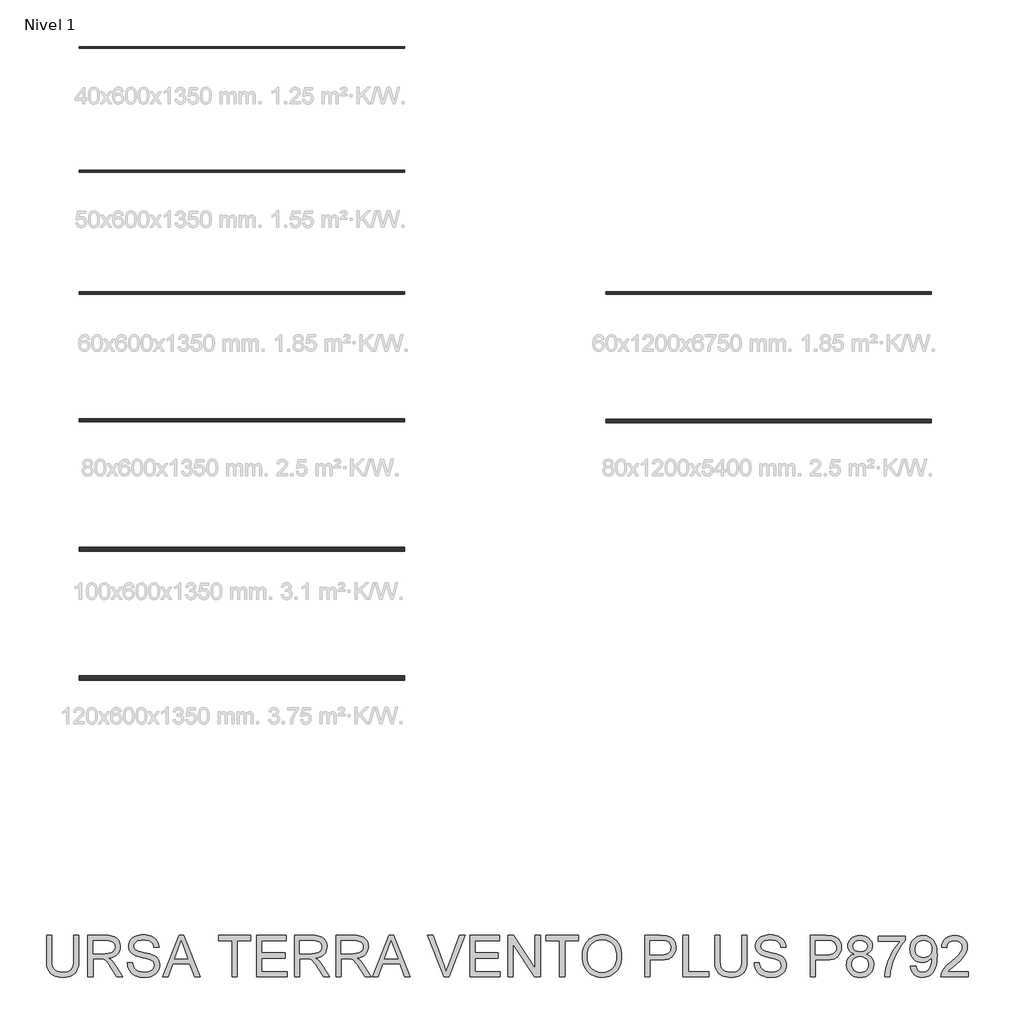
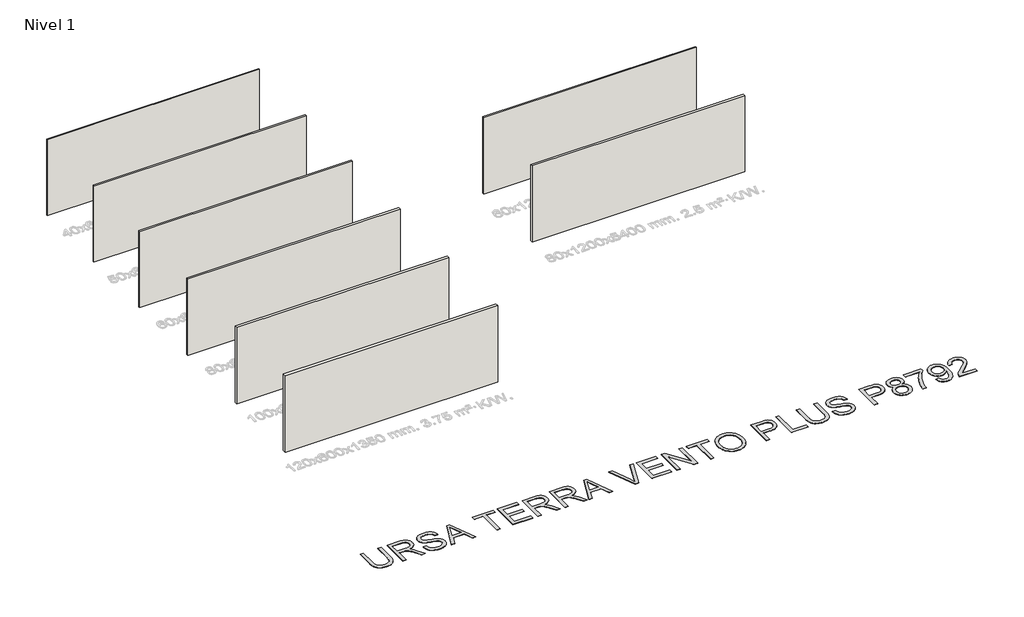
# One storey, part 1 of 9: 8 walls, 1 proxy.
"""IFC4 building model written with IfcOpenShell, lengths in millimetres."""

from ifc_helpers import new_model, si_unit, origin, origin_with_axes, place, context, project, spatial, polyline, outline, extrude, element, save

model = new_model("IFC4")

# Units and contexts
model_context = context("Model", 3, world=origin())
ifc_project = project(units=[si_unit("LENGTHUNIT", "METRE", prefix="MILLI")], contexts=[model_context])

# Site, building, storey
site = spatial("IfcSite", under=ifc_project)
building = spatial("IfcBuilding", under=site)
storey = spatial("IfcBuildingStorey", under=building, Name="Nivel 1", Elevation=0.0)

# Proxy
placement = place(None, origin())
element("IfcBuildingElementProxy", 1, Name="Texto de modelo 2", ObjectType="Texto de modelo 2", at=placement, inside=storey, context=model_context, shape_type="SweptSolid", body=[
    extrude(outline(polyline([(-13163.4352259, -17578.3871054), (-13037.8648382, -17578.3871054), (-13037.8648382, -18157.9238751), (-13039.9954881, -18229.6838568), (-13046.3874377, -18293.6416745), (-13057.0406872, -18349.7973282), (-13071.9552364, -18398.150818), (-13092.4186724, -18440.5338895), (-13119.7185821, -18478.7782886), (-13153.8549656, -18512.8840152), (-13194.8278228, -18542.8510694), (-13242.683139, -18567.2615726), (-13297.4668995, -18584.6976464), (-13359.1791041, -18595.1592906), (-13427.8197531, -18598.6465054), (-13494.766612, -18595.6114789), (-13555.3215212, -18586.5063995), (-13609.4844808, -18571.3312672), (-13657.2554907, -18550.086082), (-13698.6422152, -18523.0850764), (-13733.6523184, -18490.6424829), (-13762.2858004, -18452.7583016), (-13784.5426611, -18409.4325325), (-13801.2276424, -18359.1783191), (-13813.1454862, -18300.5088051), (-13820.2961925, -18233.4239904), (-13822.6797612, -18157.9238751), (-13822.6797612, -17578.3871054), (-13697.1093735, -17578.3871054), (-13697.1093735, -18153.5092912), (-13695.5612035, -18214.2174846), (-13690.9166933, -18266.3570932), (-13683.175843, -18309.928117), (-13672.3386525, -18344.930556), (-13657.7306716, -18373.8935989), (-13638.67745, -18399.3464345), (-13615.1789875, -18421.2890626), (-13587.2352843, -18439.7214834), (-13555.3828349, -18454.3141359), (-13520.1581339, -18464.7374591), (-13481.5611812, -18470.991453), (-13439.5919769, -18473.0761177), (-13370.3841766, -18468.9527736), (-13311.8756109, -18456.5827415), (-13264.06628, -18435.9660214), (-13244.1738275, -18422.5651533), (-13226.9561837, -18407.1026132), (-13212.0684592, -18388.7085134), (-13199.1657647, -18366.5129664), (-13179.3154653, -18310.7175305), (-13167.4052857, -18239.7163054), (-13163.4352259, -18153.5092912), (-13163.4352259, -17578.3871054)])), origin_with_axes(), (0.0, 0.0, 1.0), 10.0),
    extrude(outline(polyline([(-12818.1166597, -18582.9502069), (-12818.1166597, -17578.3871054), (-12385.2421787, -17578.3871054), (-12323.1084426, -17580.0808954), (-12268.8994978, -17585.1622655), (-12222.6153443, -17593.6312156), (-12184.255982, -17605.4877457), (-12151.5911266, -17621.6438967), (-12122.3904932, -17643.0117092), (-12096.6540819, -17669.5911834), (-12074.3818928, -17701.3823191), (-12056.4093245, -17736.675998), (-12043.5717757, -17773.7631017), (-12035.8692465, -17812.64363), (-12033.3017367, -17853.3175831), (-12037.5553723, -17904.9130329), (-12050.316279, -17952.2778398), (-12071.5844568, -17995.4120038), (-12101.3599058, -18034.3155248), (-12140.0258363, -18067.7468011), (-12187.9654588, -18094.464231), (-12245.1787733, -18114.4678145), (-12311.6657797, -18127.7575515), (-12270.2790553, -18154.7968782), (-12240.2966726, -18181.4683228), (-12188.854507, -18242.4754204), (-12138.5159873, -18310.7175305), (-11971.0070522, -18582.9502069), (-12116.9335769, -18582.9502069), (-12247.6543126, -18374.7289976), (-12299.9548695, -18295.2664867), (-12342.077358, -18236.8958768), (-12377.1794317, -18196.7047688), (-12408.4187444, -18171.7807636), (-12438.0025882, -18157.1574543), (-12468.138255, -18147.8684339), (-12540.97889, -18143.45385), (-12692.5462721, -18143.45385), (-12692.5462721, -18582.9502069), (-12818.1166597, -18582.9502069)]), holes=[polyline([(-12692.5462721, -18017.8834623), (-12411.4844277, -18017.8834623), (-12330.7649866, -18013.4382215), (-12268.133077, -18000.1024992), (-12242.9484887, -17989.8784454), (-12220.9828679, -17976.9872472), (-12202.2362146, -17961.4289045), (-12186.7085287, -17943.2034173), (-12174.5301018, -17923.207498), (-12165.8312255, -17902.337859), (-12160.6118997, -17880.5945002), (-12158.8721244, -17857.9774217), (-12162.1907265, -17825.8643892), (-12172.146533, -17796.7250695), (-12188.7395439, -17770.5594626), (-12211.969759, -17747.3675685), (-12242.3736731, -17728.3756605), (-12280.4877806, -17714.8100119), (-12326.3120816, -17706.6706228), (-12379.8465762, -17703.9574931), (-12692.5462721, -17703.9574931), (-12692.5462721, -18017.8834623)])]), origin_with_axes(), (0.0, 0.0, 1.0), 10.0),
    extrude(outline(polyline([(-11860.6424536, -18237.6316408), (-11735.0720659, -18237.6316408), (-11729.3239098, -18274.1822498), (-11720.6633545, -18307.314622), (-11709.0904, -18337.0287573), (-11694.6050465, -18363.3246558), (-11676.4715298, -18386.7311477), (-11653.954086, -18407.7770635), (-11627.0527151, -18426.4624032), (-11595.7674171, -18442.7871667), (-11561.2478232, -18456.0385828), (-11524.6435647, -18465.5038799), (-11485.9546415, -18471.1830582), (-11445.1810537, -18473.0761177), (-11375.222161, -18467.3432899), (-11343.5076673, -18460.1772552), (-11313.9698088, -18450.1448066), (-11287.3366852, -18437.606162), (-11264.3363963, -18422.921539), (-11244.9689421, -18406.0909377), (-11229.2343226, -18387.1143581), (-11217.0558957, -18366.8118705), (-11208.3570193, -18346.0035452), (-11203.1376935, -18324.6893821), (-11201.3979183, -18302.8693812), (-11206.6095799, -18260.8388633), (-11222.2445647, -18224.5105163), (-11235.396346, -18208.3926863), (-11254.0050436, -18193.5164582), (-11278.0706574, -18179.8818317), (-11307.5931875, -18167.488807), (-11373.9039172, -18147.7764634), (-11490.4305391, -18119.5415203), (-11610.4520401, -18087.8116982), (-11654.2529901, -18072.5216028), (-11687.2474066, -18057.6147178), (-11720.7783176, -18037.6111343), (-11749.7566889, -18015.369602), (-11774.1825206, -17990.8901209), (-11794.0558125, -17964.172691), (-11809.4532068, -17935.4932238), (-11820.4513457, -17905.1276308), (-11827.0502289, -17873.0759119), (-11829.2498567, -17839.3380673), (-11826.5290628, -17801.9443953), (-11818.366681, -17765.7923251), (-11804.7627114, -17730.8818566), (-11785.7171539, -17697.2129898), (-11761.4446065, -17666.1576181), (-11732.1596668, -17639.0876346), (-11697.862335, -17616.0030394), (-11658.5526109, -17596.9038325), (-11615.5564028, -17581.9356338), (-11570.1996184, -17571.2440633), (-11522.482258, -17564.829121), (-11472.4043214, -17562.6908069), (-11417.7738451, -17564.9287557), (-11366.4543068, -17571.6426022), (-11318.4457064, -17582.8323462), (-11273.748044, -17598.4979878), (-11233.189054, -17618.5015713), (-11197.596471, -17642.7051409), (-11166.9702949, -17671.1086966), (-11141.3105257, -17703.7122384), (-11120.8164329, -17739.5654045), (-11105.6872859, -17777.7178331), (-11095.9230846, -17818.1695242), (-11091.523829, -17860.9204777), (-11217.0942167, -17860.9204777), (-11225.494189, -17820.8519971), (-11240.1481551, -17785.995178), (-11261.0561152, -17756.3500206), (-11288.2180691, -17731.9165247), (-11322.1398548, -17712.8173178), (-11363.3273098, -17699.1750271), (-11411.7804343, -17690.9896528), (-11467.4992281, -17688.2611946), (-11524.9961183, -17690.9589959), (-11574.123693, -17699.0523998), (-11614.8819524, -17712.5414063), (-11647.2708964, -17731.4260154), (-11671.9496469, -17754.1274002), (-11689.5773259, -17779.0667338), (-11700.1539332, -17806.2440162), (-11703.679469, -17835.6592474), (-11701.1809371, -17860.9664629), (-11693.6853415, -17883.9131024), (-11681.1926821, -17904.4991657), (-11663.7029589, -17922.7246529), (-11636.1731229, -17939.9844498), (-11592.8243611, -17957.4281878), (-11533.6566736, -17975.0558667), (-11458.6700602, -17992.8674866), (-11320.2238027, -18026.5286892), (-11271.5100952, -18041.7498067), (-11236.4693351, -18055.8979351), (-11197.9720172, -18077.3423898), (-11164.8856302, -18101.4539889), (-11137.2101743, -18128.2327324), (-11114.9456494, -18157.6786205), (-11097.8314724, -18189.6383688), (-11085.6070603, -18223.9586933), (-11078.272413, -18260.6395939), (-11075.8275306, -18299.6810706), (-11078.640295, -18338.9601378), (-11087.0785883, -18377.0895738), (-11101.1424104, -18414.0693785), (-11120.8317613, -18449.899552), (-11145.8017517, -18483.1928725), (-11175.7074923, -18512.5621185), (-11210.5489829, -18538.0072898), (-11250.3262236, -18559.5283865), (-11293.881919, -18576.6425635), (-11340.0587736, -18588.8669756), (-11388.8567874, -18596.2016229), (-11440.2759605, -18598.6465054), (-11504.5096897, -18596.0100177), (-11563.301831, -18588.1005548), (-11616.6523845, -18574.9181167), (-11664.5613502, -18556.4627032), (-11707.3199679, -18532.7036577), (-11745.2194776, -18503.6103233), (-11778.2598793, -18469.1826999), (-11806.441173, -18429.4207876), (-11829.1425578, -18385.6121733), (-11845.7432328, -18339.0444441), (-11856.2431981, -18289.7175999), (-11860.6424536, -18237.6316408)])), origin_with_axes(), (0.0, 0.0, 1.0), 10.0),
    extrude(outline(polyline([(-11004.4584235, -18582.9502069), (-10603.4670488, -17578.3871054), (-10496.5360155, -17578.3871054), (-10095.5446408, -18582.9502069), (-10228.2274137, -18582.9502069), (-10343.2518509, -18269.0242377), (-10756.9964681, -18269.0242377), (-10871.7756506, -18582.9502069), (-11004.4584235, -18582.9502069)]), holes=[polyline([(-10710.8885914, -18143.45385), (-10389.1144729, -18143.45385), (-10479.6134437, -17896.4824039), (-10550.0015321, -17703.9574931), (-10612.5414713, -17874.8999935), (-10710.8885914, -18143.45385)])]), origin_with_axes(), (0.0, 0.0, 1.0), 10.0),
    extrude(outline(polyline([(-9317.842103, -18582.9502069), (-9317.842103, -17703.9574931), (-9647.4643706, -17703.9574931), (-9647.4643706, -17578.3871054), (-8862.6494476, -17578.3871054), (-8862.6494476, -17703.9574931), (-9192.2717153, -17703.9574931), (-9192.2717153, -18582.9502069), (-9317.842103, -18582.9502069)])), origin_with_axes(), (0.0, 0.0, 1.0), 10.0),
    extrude(outline(polyline([(-8721.3827615, -18582.9502069), (-8721.3827615, -17578.3871054), (-7999.3530323, -17578.3871054), (-7999.3530323, -17703.9574931), (-8595.8123738, -17703.9574931), (-8595.8123738, -18002.1871638), (-8030.7456292, -18002.1871638), (-8030.7456292, -18127.7575515), (-8595.8123738, -18127.7575515), (-8595.8123738, -18457.3798192), (-7983.6567338, -18457.3798192), (-7983.6567338, -18582.9502069), (-8721.3827615, -18582.9502069)])), origin_with_axes(), (0.0, 0.0, 1.0), 10.0),
    extrude(outline(polyline([(-7795.3011523, -18582.9502069), (-7795.3011523, -17578.3871054), (-7362.4266713, -17578.3871054), (-7300.2929351, -17580.0808954), (-7246.0839903, -17585.1622655), (-7199.7998368, -17593.6312156), (-7161.4404746, -17605.4877457), (-7128.7756191, -17621.6438967), (-7099.5749857, -17643.0117092), (-7073.8385745, -17669.5911834), (-7051.5663853, -17701.3823191), (-7033.593817, -17736.675998), (-7020.7562682, -17773.7631017), (-7013.053739, -17812.64363), (-7010.4862292, -17853.3175831), (-7014.7398648, -17904.9130329), (-7027.5007715, -17952.2778398), (-7048.7689493, -17995.4120038), (-7078.5443983, -18034.3155248), (-7117.2103289, -18067.7468011), (-7165.1499514, -18094.464231), (-7222.3632658, -18114.4678145), (-7288.8502722, -18127.7575515), (-7247.4635478, -18154.7968782), (-7217.4811652, -18181.4683228), (-7166.0389995, -18242.4754204), (-7115.7004798, -18310.7175305), (-6948.1915447, -18582.9502069), (-7094.1180695, -18582.9502069), (-7224.8388051, -18374.7289976), (-7277.1393621, -18295.2664867), (-7319.2618505, -18236.8958768), (-7354.3639242, -18196.7047688), (-7385.603237, -18171.7807636), (-7415.1870807, -18157.1574543), (-7445.3227475, -18147.8684339), (-7518.1633826, -18143.45385), (-7669.7307646, -18143.45385), (-7669.7307646, -18582.9502069), (-7795.3011523, -18582.9502069)]), holes=[polyline([(-7669.7307646, -18017.8834623), (-7388.6689203, -18017.8834623), (-7307.9494791, -18013.4382215), (-7245.3175695, -18000.1024992), (-7220.1329812, -17989.8784454), (-7198.1673604, -17976.9872472), (-7179.4207071, -17961.4289045), (-7163.8930212, -17943.2034173), (-7151.7145943, -17923.207498), (-7143.015718, -17902.337859), (-7137.7963922, -17880.5945002), (-7136.0566169, -17857.9774217), (-7139.3752191, -17825.8643892), (-7149.3310256, -17796.7250695), (-7165.9240364, -17770.5594626), (-7189.1542515, -17747.3675685), (-7219.5581656, -17728.3756605), (-7257.6722731, -17714.8100119), (-7303.4965742, -17706.6706228), (-7357.0310687, -17703.9574931), (-7669.7307646, -17703.9574931), (-7669.7307646, -18017.8834623)])]), origin_with_axes(), (0.0, 0.0, 1.0), 10.0),
    extrude(outline(polyline([(-6790.7380508, -18582.9502069), (-6790.7380508, -17578.3871054), (-6357.8635698, -17578.3871054), (-6295.7298336, -17580.0808954), (-6241.5208888, -17585.1622655), (-6195.2367353, -17593.6312156), (-6156.8773731, -17605.4877457), (-6124.2125176, -17621.6438967), (-6095.0118842, -17643.0117092), (-6069.275473, -17669.5911834), (-6047.0032838, -17701.3823191), (-6029.0307155, -17736.675998), (-6016.1931668, -17773.7631017), (-6008.4906375, -17812.64363), (-6005.9231277, -17853.3175831), (-6010.1767633, -17904.9130329), (-6022.93767, -17952.2778398), (-6044.2058478, -17995.4120038), (-6073.9812968, -18034.3155248), (-6112.6472274, -18067.7468011), (-6160.5868499, -18094.464231), (-6217.8001643, -18114.4678145), (-6284.2871707, -18127.7575515), (-6242.9004463, -18154.7968782), (-6212.9180637, -18181.4683228), (-6161.475898, -18242.4754204), (-6111.1373783, -18310.7175305), (-5943.6284432, -18582.9502069), (-6089.554968, -18582.9502069), (-6220.2757036, -18374.7289976), (-6272.5762606, -18295.2664867), (-6314.698749, -18236.8958768), (-6349.8008227, -18196.7047688), (-6381.0401355, -18171.7807636), (-6410.6239792, -18157.1574543), (-6440.759646, -18147.8684339), (-6513.6002811, -18143.45385), (-6665.1676631, -18143.45385), (-6665.1676631, -18582.9502069), (-6790.7380508, -18582.9502069)]), holes=[polyline([(-6665.1676631, -18017.8834623), (-6384.1058188, -18017.8834623), (-6303.3863777, -18013.4382215), (-6240.754468, -18000.1024992), (-6215.5698797, -17989.8784454), (-6193.6042589, -17976.9872472), (-6174.8576056, -17961.4289045), (-6159.3299197, -17943.2034173), (-6147.1514928, -17923.207498), (-6138.4526165, -17902.337859), (-6133.2332907, -17880.5945002), (-6131.4935154, -17857.9774217), (-6134.8121176, -17825.8643892), (-6144.7679241, -17796.7250695), (-6161.3609349, -17770.5594626), (-6184.59115, -17747.3675685), (-6214.9950641, -17728.3756605), (-6253.1091716, -17714.8100119), (-6298.9334727, -17706.6706228), (-6352.4679672, -17703.9574931), (-6665.1676631, -17703.9574931), (-6665.1676631, -18017.8834623)])]), origin_with_axes(), (0.0, 0.0, 1.0), 10.0),
    extrude(outline(polyline([(-5903.1614237, -18582.9502069), (-5502.170049, -17578.3871054), (-5395.2390157, -17578.3871054), (-4994.247641, -18582.9502069), (-5126.9304139, -18582.9502069), (-5241.9548511, -18269.0242377), (-5655.6994683, -18269.0242377), (-5770.4786508, -18582.9502069), (-5903.1614237, -18582.9502069)]), holes=[polyline([(-5609.5915916, -18143.45385), (-5287.8174731, -18143.45385), (-5378.3164439, -17896.4824039), (-5448.7045324, -17703.9574931), (-5511.2444715, -17874.8999935), (-5609.5915916, -18143.45385)])]), origin_with_axes(), (0.0, 0.0, 1.0), 10.0),
    extrude(outline(polyline([(-4170.9277358, -18582.9502069), (-4570.6928372, -17578.3871054), (-4436.2932816, -17578.3871054), (-4168.7204438, -18302.1336172), (-4138.9833159, -18386.4399078), (-4114.5191632, -18465.2279684), (-4089.6258148, -18383.6194792), (-4061.0536466, -18302.1336172), (-3792.7450447, -17578.3871054), (-3658.3454892, -17578.3871054), (-4041.1880188, -18582.9502069), (-4170.9277358, -18582.9502069)])), origin_with_axes(), (0.0, 0.0, 1.0), 10.0),
    extrude(outline(polyline([(-3541.6042694, -18582.9502069), (-3541.6042694, -17578.3871054), (-2819.5745402, -17578.3871054), (-2819.5745402, -17703.9574931), (-3416.0338817, -17703.9574931), (-3416.0338817, -18002.1871638), (-2850.9671371, -18002.1871638), (-2850.9671371, -18127.7575515), (-3416.0338817, -18127.7575515), (-3416.0338817, -18457.3798192), (-2803.8782417, -18457.3798192), (-2803.8782417, -18582.9502069), (-3541.6042694, -18582.9502069)])), origin_with_axes(), (0.0, 0.0, 1.0), 10.0),
    extrude(outline(polyline([(-2615.5226602, -18582.9502069), (-2615.5226602, -17578.3871054), (-2481.1231046, -17578.3871054), (-1956.2781248, -18374.2384883), (-1956.2781248, -17578.3871054), (-1830.7077371, -17578.3871054), (-1830.7077371, -18582.9502069), (-1965.1072927, -18582.9502069), (-2489.9522725, -17786.8535693), (-2489.9522725, -18582.9502069), (-2615.5226602, -18582.9502069)])), origin_with_axes(), (0.0, 0.0, 1.0), 10.0),
    extrude(outline(polyline([(-1359.8187833, -18582.9502069), (-1359.8187833, -17703.9574931), (-1689.441051, -17703.9574931), (-1689.441051, -17578.3871054), (-904.6261279, -17578.3871054), (-904.6261279, -17703.9574931), (-1234.2483956, -17703.9574931), (-1234.2483956, -18582.9502069), (-1359.8187833, -18582.9502069)])), origin_with_axes(), (0.0, 0.0, 1.0), 10.0),
    extrude(outline(polyline([(-810.4483372, -18093.912408), (-808.3560083, -18033.3076814), (-802.0790218, -17976.0828706), (-791.6173775, -17922.2379757), (-776.9710756, -17871.7729966), (-758.140116, -17824.6879333), (-735.1244987, -17780.9827858), (-707.9242236, -17740.6575542), (-676.5392909, -17703.7122384), (-641.8472524, -17670.6603404), (-604.7256598, -17642.0153621), (-565.1745132, -17617.7773036), (-523.1938126, -17597.9461648), (-478.783558, -17582.5219457), (-431.9437494, -17571.5046464), (-382.6743868, -17564.8942668), (-330.9754701, -17562.6908069), (-263.3924819, -17566.8294794), (-199.2124022, -17579.2454967), (-138.4352309, -17599.9388589), (-81.0609681, -17628.9095661), (-28.6990974, -17665.2838983), (17.0408973, -17708.188136), (56.1590161, -17757.6222791), (88.655259, -17813.5863276), (114.1924009, -17874.808023), (132.4332165, -17940.0151067), (143.3777058, -18009.2075786), (147.0258689, -18082.3854388), (143.1861006, -18156.5289892), (131.6667956, -18226.6564946), (112.467954, -18292.7679548), (85.5895757, -18354.8633699), (51.6677901, -18411.3025993), (11.3387264, -18460.4455025), (-35.3976154, -18502.2920795), (-88.5412353, -18536.8423302), (-145.9998044, -18563.8816568), (-205.6809939, -18583.1954616), (-267.5848038, -18594.7837444), (-331.7112341, -18598.6465054), (-400.4745104, -18594.3775414), (-465.497653, -18581.5706494), (-526.7806621, -18560.2258295), (-584.3235375, -18530.3430816), (-636.6240944, -18493.0797012), (-682.1801482, -18449.5929836), (-720.9916987, -18399.882929), (-753.0587459, -18343.9495374), (-778.1666921, -18284.0384216), (-796.1009394, -18222.3951948), (-806.8614877, -18159.0198569), (-810.4483372, -18093.912408)]), holes=[polyline([(-684.8779495, -18095.1386813), (-683.3087028, -18137.931788), (-678.6009629, -18178.3873111), (-670.7547298, -18216.5052508), (-659.7700033, -18252.2856069), (-645.6467836, -18285.7283795), (-628.3850706, -18316.8335686), (-607.9848643, -18345.6011742), (-584.4461648, -18372.0311963), (-558.5392249, -18395.7135998), (-531.0342976, -18416.2383494), (-501.9313829, -18433.6054453), (-471.2304808, -18447.8148873), (-438.9315912, -18458.8666756), (-405.0347143, -18466.7608101), (-369.5398499, -18471.4972908), (-332.4469981, -18473.0761177), (-294.6758639, -18471.4819624), (-258.6176802, -18466.6994964), (-224.2724471, -18458.7287199), (-191.6401644, -18447.5696327), (-160.7208324, -18433.2222349), (-131.5144509, -18415.6865264), (-104.0210199, -18394.9625074), (-78.2405394, -18371.0501777), (-54.8742846, -18344.2062883), (-34.6235304, -18314.6875903), (-17.4882768, -18282.4940836), (-3.4685239, -18247.6257683), (7.4357283, -18210.0826443), (15.22448, -18169.8647116), (19.8977309, -18126.9719702), (21.4554813, -18081.4044201), (18.7883368, -18023.9381868), (10.7869034, -17970.2427439), (-2.5488189, -17920.3180915), (-21.2188302, -17874.1642295), (-45.0161967, -17832.3866304), (-73.733985, -17795.5907667), (-107.3721949, -17763.7766383), (-145.9308265, -17736.9442453), (-188.2142634, -17715.6454106), (-233.0268889, -17700.4319573), (-280.3687032, -17691.3038853), (-330.2397061, -17688.2611946), (-400.3058978, -17694.1243139), (-465.313712, -17711.7136718), (-495.9207276, -17724.9056902), (-525.2631488, -17741.0292683), (-580.1542082, -17782.0711034), (-604.6988351, -17807.4837018), (-625.970845, -17836.8165428), (-643.970238, -17870.0696263), (-658.6970142, -17907.2429523), (-670.1511734, -17948.3365207), (-678.3327157, -17993.3503317), (-683.241641, -18042.2843853), (-684.8779495, -18095.1386813)])]), origin_with_axes(), (0.0, 0.0, 1.0), 10.0),
    extrude(outline(polyline([(712.0926135, -18582.9502069), (712.0926135, -17578.3871054), (1084.3891927, -17578.3871054), (1171.0867162, -17580.7783384), (1234.4850467, -17587.9520373), (1269.426172, -17595.485954), (1301.408913, -17605.8249709), (1330.4332696, -17618.969088), (1356.4992418, -17634.9183053), (1379.8827411, -17654.0021838), (1400.859679, -17676.5502844), (1419.4300556, -17702.5626072), (1435.5938707, -17732.039152), (1448.6843384, -17764.0065646), (1458.0346724, -17797.4914904), (1463.6448728, -17832.4939294), (1465.5149397, -17869.0138816), (1460.4642264, -17930.680101), (1445.3120868, -17987.4105704), (1420.0585206, -18039.2052896), (1384.7035281, -18086.0642587), (1362.4677439, -18106.8725841), (1336.1660973, -18124.9064661), (1305.7985882, -18140.1659047), (1271.3652167, -18152.6508999), (1232.8659827, -18162.3614517), (1190.3008862, -18169.2975601), (1092.9731059, -18174.8464469), (837.6630012, -18174.8464469), (837.6630012, -18582.9502069), (712.0926135, -18582.9502069)]), holes=[polyline([(837.6630012, -18049.2760592), (1100.3307458, -18049.2760592), (1160.7247067, -18046.3943169), (1211.676363, -18037.74909), (1253.1857148, -18023.3403786), (1285.252762, -18003.1681825), (1309.1804201, -17977.7689964), (1326.2716045, -17947.6793149), (1336.5263151, -17912.8991379), (1339.944552, -17873.4284655), (1337.9288652, -17844.1205332), (1331.8818049, -17817.0198929), (1321.8033711, -17792.1265446), (1307.6935637, -17769.4404882), (1290.3034752, -17749.6974878), (1270.384198, -17733.6333074), (1247.9357321, -17721.2479469), (1222.9580775, -17712.5414063), (1174.5202815, -17706.1034714), (1097.3876898, -17703.9574931), (837.6630012, -17703.9574931), (837.6630012, -18049.2760592)])]), origin_with_axes(), (0.0, 0.0, 1.0), 10.0),
    extrude(outline(polyline([(1638.1742227, -18582.9502069), (1638.1742227, -17578.3871054), (1763.7446104, -17578.3871054), (1763.7446104, -18457.3798192), (2266.0261612, -18457.3798192), (2266.0261612, -18582.9502069), (1638.1742227, -18582.9502069)])), origin_with_axes(), (0.0, 0.0, 1.0), 10.0),
    extrude(outline(polyline([(3066.5373827, -17578.3871054), (3192.1077704, -17578.3871054), (3192.1077704, -18157.9238751), (3189.9771205, -18229.6838568), (3183.5851708, -18293.6416745), (3172.9319214, -18349.7973282), (3158.0173721, -18398.150818), (3137.5539362, -18440.5338895), (3110.2540264, -18478.7782886), (3076.117643, -18512.8840152), (3035.1447857, -18542.8510694), (2987.2894695, -18567.2615726), (2932.5057091, -18584.6976464), (2870.7935044, -18595.1592906), (2802.1528555, -18598.6465054), (2735.2059966, -18595.6114789), (2674.6510873, -18586.5063995), (2620.4881277, -18571.3312672), (2572.7171178, -18550.086082), (2531.3303934, -18523.0850764), (2496.3202901, -18490.6424829), (2467.6868082, -18452.7583016), (2445.4299475, -18409.4325325), (2428.7449662, -18359.1783191), (2416.8271224, -18300.5088051), (2409.6764161, -18233.4239904), (2407.2928473, -18157.9238751), (2407.2928473, -17578.3871054), (2532.863235, -17578.3871054), (2532.863235, -18153.5092912), (2534.4114051, -18214.2174846), (2539.0559152, -18266.3570932), (2546.7967656, -18309.928117), (2557.633956, -18344.930556), (2572.2419369, -18373.8935989), (2591.2951586, -18399.3464345), (2614.793621, -18421.2890626), (2642.7373242, -18439.7214834), (2674.5897736, -18454.3141359), (2709.8144747, -18464.7374591), (2748.4114273, -18470.991453), (2790.3806316, -18473.0761177), (2859.588432, -18468.9527736), (2918.0969976, -18456.5827415), (2965.9063286, -18435.9660214), (2985.798781, -18422.5651533), (3003.0164248, -18407.1026132), (3017.9041493, -18388.7085134), (3030.8068439, -18366.5129664), (3050.6571432, -18310.7175305), (3062.5673228, -18239.7163054), (3066.5373827, -18153.5092912), (3066.5373827, -17578.3871054)])), origin_with_axes(), (0.0, 0.0, 1.0), 10.0),
    extrude(outline(polyline([(3364.7670534, -18237.6316408), (3490.3374411, -18237.6316408), (3496.0855973, -18274.1822498), (3504.7461526, -18307.314622), (3516.319107, -18337.0287573), (3530.8044606, -18363.3246558), (3548.9379773, -18386.7311477), (3571.455421, -18407.7770635), (3598.3567919, -18426.4624032), (3629.64209, -18442.7871667), (3664.1616838, -18456.0385828), (3700.7659424, -18465.5038799), (3739.4548655, -18471.1830582), (3780.2284533, -18473.0761177), (3850.1873461, -18467.3432899), (3881.9018397, -18460.1772552), (3911.4396983, -18450.1448066), (3938.0728219, -18437.606162), (3961.0731108, -18422.921539), (3980.440565, -18406.0909377), (3996.1751845, -18387.1143581), (4008.3536114, -18366.8118705), (4017.0524877, -18346.0035452), (4022.2718135, -18324.6893821), (4024.0115888, -18302.8693812), (4018.7999272, -18260.8388633), (4003.1649424, -18224.5105163), (3990.0131611, -18208.3926863), (3971.4044635, -18193.5164582), (3947.3388496, -18179.8818317), (3917.8163195, -18167.488807), (3851.5055899, -18147.7764634), (3734.9789679, -18119.5415203), (3614.957467, -18087.8116982), (3571.1565169, -18072.5216028), (3538.1621005, -18057.6147178), (3504.6311895, -18037.6111343), (3475.6528181, -18015.369602), (3451.2269865, -17990.8901209), (3431.3536946, -17964.172691), (3415.9563002, -17935.4932238), (3404.9581614, -17905.1276308), (3398.3592781, -17873.0759119), (3396.1596503, -17839.3380673), (3398.8804443, -17801.9443953), (3407.042826, -17765.7923251), (3420.6467956, -17730.8818566), (3439.6923531, -17697.2129898), (3463.9649006, -17666.1576181), (3493.2498402, -17639.0876346), (3527.5471721, -17616.0030394), (3566.8568961, -17596.9038325), (3609.8531043, -17581.9356338), (3655.2098886, -17571.2440633), (3702.9272491, -17564.829121), (3753.0051857, -17562.6908069), (3807.635662, -17564.9287557), (3858.9552003, -17571.6426022), (3906.9638006, -17582.8323462), (3951.6614631, -17598.4979878), (3992.220453, -17618.5015713), (4027.8130361, -17642.7051409), (4058.4392122, -17671.1086966), (4084.0989813, -17703.7122384), (4104.5930741, -17739.5654045), (4119.7222212, -17777.7178331), (4129.4864225, -17818.1695242), (4133.885678, -17860.9204777), (4008.3152903, -17860.9204777), (3999.9153181, -17820.8519971), (3985.261352, -17785.995178), (3964.3533919, -17756.3500206), (3937.1914379, -17731.9165247), (3903.2696523, -17712.8173178), (3862.0821972, -17699.1750271), (3813.6290728, -17690.9896528), (3757.9102789, -17688.2611946), (3700.4133888, -17690.9589959), (3651.285814, -17699.0523998), (3610.5275546, -17712.5414063), (3578.1386106, -17731.4260154), (3553.4598601, -17754.1274002), (3535.8321812, -17779.0667338), (3525.2555738, -17806.2440162), (3521.730038, -17835.6592474), (3524.2285699, -17860.9664629), (3531.7241656, -17883.9131024), (3544.216825, -17904.4991657), (3561.7065482, -17922.7246529), (3589.2363841, -17939.9844498), (3632.5851459, -17957.4281878), (3691.7528335, -17975.0558667), (3766.7394468, -17992.8674866), (3905.1857043, -18026.5286892), (3953.8994119, -18041.7498067), (3988.9401719, -18055.8979351), (4027.4374899, -18077.3423898), (4060.5238768, -18101.4539889), (4088.1993327, -18128.2327324), (4110.4638576, -18157.6786205), (4127.5780346, -18189.6383688), (4139.8024468, -18223.9586933), (4147.137094, -18260.6395939), (4149.5819765, -18299.6810706), (4146.769212, -18338.9601378), (4138.3309188, -18377.0895738), (4124.2670967, -18414.0693785), (4104.5777457, -18449.899552), (4079.6077553, -18483.1928725), (4049.7020148, -18512.5621185), (4014.8605242, -18538.0072898), (3975.0832834, -18559.5283865), (3931.527588, -18576.6425635), (3885.3507334, -18588.8669756), (3836.5527196, -18596.2016229), (3785.1335466, -18598.6465054), (3720.8998174, -18596.0100177), (3662.107676, -18588.1005548), (3608.7571225, -18574.9181167), (3560.8481569, -18556.4627032), (3518.0895391, -18532.7036577), (3480.1900294, -18503.6103233), (3447.1496277, -18469.1826999), (3418.968334, -18429.4207876), (3396.2669493, -18385.6121733), (3379.6662742, -18339.0444441), (3369.1663089, -18289.7175999), (3364.7670534, -18237.6316408)])), origin_with_axes(), (0.0, 0.0, 1.0), 10.0),
    extrude(outline(polyline([(4730.3450195, -18582.9502069), (4730.3450195, -17578.3871054), (5102.6415986, -17578.3871054), (5189.3391222, -17580.7783384), (5252.7374527, -17587.9520373), (5287.678578, -17595.485954), (5319.661319, -17605.8249709), (5348.6856755, -17618.969088), (5374.7516477, -17634.9183053), (5398.1351471, -17654.0021838), (5419.112085, -17676.5502844), (5437.6824615, -17702.5626072), (5453.8462767, -17732.039152), (5466.9367444, -17764.0065646), (5476.2870784, -17797.4914904), (5481.8972788, -17832.4939294), (5483.7673456, -17869.0138816), (5478.7166324, -17930.680101), (5463.5644927, -17987.4105704), (5438.3109266, -18039.2052896), (5402.955934, -18086.0642587), (5380.7201499, -18106.8725841), (5354.4185033, -18124.9064661), (5324.0509942, -18140.1659047), (5289.6176227, -18152.6508999), (5251.1183887, -18162.3614517), (5208.5532922, -18169.2975601), (5111.2255119, -18174.8464469), (4855.9154072, -18174.8464469), (4855.9154072, -18582.9502069), (4730.3450195, -18582.9502069)]), holes=[polyline([(4855.9154072, -18049.2760592), (5118.5831518, -18049.2760592), (5178.9771126, -18046.3943169), (5229.928769, -18037.74909), (5271.4381208, -18023.3403786), (5303.505168, -18003.1681825), (5327.4328261, -17977.7689964), (5344.5240105, -17947.6793149), (5354.7787211, -17912.8991379), (5358.196958, -17873.4284655), (5356.1812712, -17844.1205332), (5350.1342109, -17817.0198929), (5340.0557771, -17792.1265446), (5325.9459697, -17769.4404882), (5308.5558812, -17749.6974878), (5288.636604, -17733.6333074), (5266.1881381, -17721.2479469), (5241.2104835, -17712.5414063), (5192.7726875, -17706.1034714), (5115.6400958, -17703.9574931), (4855.9154072, -17703.9574931), (4855.9154072, -18049.2760592)])]), origin_with_axes(), (0.0, 0.0, 1.0), 10.0),
    extrude(outline(polyline([(5792.2977123, -18029.6556861), (5756.1762989, -18014.5725243), (5725.0672776, -17996.5463066), (5698.9706486, -17975.5770329), (5677.8864118, -17951.6647032), (5661.6306261, -17925.0392438), (5650.0193506, -17895.9305809), (5643.0525853, -17864.3387146), (5640.7303303, -17830.2636448), (5645.7887077, -17779.0514053), (5660.96384, -17732.1004657), (5686.2557272, -17689.4108259), (5721.6643692, -17650.9824858), (5765.4883119, -17619.2220069), (5816.026101, -17596.5359505), (5873.2777365, -17582.9243167), (5937.2432184, -17578.3871054), (6001.5152686, -17583.0316156), (6059.1960998, -17596.9651462), (6110.2857118, -17620.1876971), (6154.7841048, -17652.6992684), (6190.8365404, -17691.8787009), (6216.58828, -17735.1048353), (6232.0393238, -17782.3776717), (6237.1896718, -17833.69721), (6234.8980735, -17866.5689992), (6228.0232787, -17897.2488247), (6216.5652874, -17925.7366867), (6200.5240996, -17952.0325852), (6179.8230731, -17975.7839665), (6154.385566, -17996.6382771), (6124.2115782, -18014.595517), (6089.3011097, -18029.6556861), (6130.572871, -18047.2143872), (6166.5869855, -18069.4789121), (6197.3434532, -18096.4492609), (6222.842274, -18128.1254335), (6242.8535216, -18163.8023228), (6257.14727, -18202.7748217), (6265.723519, -18245.0429301), (6268.5822687, -18290.6066481), (6262.9107546, -18353.2385577), (6245.8962123, -18410.6588058), (6217.5386419, -18462.8673923), (6177.8380432, -18509.8643172), (6154.2552745, -18530.6726425), (6128.879081, -18548.7065245), (6101.7094628, -18563.9659631), (6072.7464199, -18576.4509583), (6009.4400599, -18593.0976186), (5938.960001, -18598.6465054), (5868.4799421, -18593.074626), (5805.1735821, -18576.3589878), (5776.2105392, -18563.8222592), (5749.040921, -18548.4995909), (5723.6647275, -18530.3909829), (5700.0819588, -18509.4964352), (5660.3813602, -18462.1699494), (5632.0237897, -18409.340562), (5615.0092474, -18351.0082731), (5609.3377333, -18287.1730828), (5612.3114461, -18239.5323644), (5621.2325845, -18195.938348), (5636.1011485, -18156.3910335), (5656.917138, -18120.890421), (5683.2207007, -18090.0803039), (5714.5519839, -18064.6044757), (5750.9109878, -18044.4629365), (5792.2977123, -18029.6556861)]), holes=[polyline([(5766.3007179, -17833.9424647), (5769.0828255, -17862.7292308), (5777.4291483, -17888.756882), (5791.3396862, -17912.0254182), (5810.8144394, -17932.5348394), (5835.608153, -17949.2734702), (5865.4755725, -17961.229635), (5900.4166978, -17968.4033339), (5940.431529, -17970.7945669), (5979.4576773, -17968.4186624), (6013.640046, -17961.2909487), (6042.9786351, -17949.4114259), (6067.4734447, -17932.7800941), (6086.7872494, -17912.6998685), (6100.5828242, -17890.4736646), (6108.8601691, -17866.1014825), (6111.6192841, -17839.583322), (6108.7681986, -17812.0304934), (6100.2149422, -17786.7615988), (6085.9595149, -17763.7766383), (6066.0019167, -17743.0756119), (6040.9552842, -17725.9614349), (6011.4327541, -17713.7370228), (5977.4343263, -17706.4023755), (5938.960001, -17703.9574931), (5900.1867716, -17706.3487261), (5866.0273955, -17713.522425), (5836.4818727, -17725.4785898), (5811.5502033, -17742.2172206), (5791.7535535, -17762.2974462), (5777.6130893, -17784.2783954), (5769.1288108, -17808.1600682), (5766.3007179, -17833.9424647)]), polyline([(5734.908121, -18282.7584988), (5740.1504394, -18330.797756), (5755.8773947, -18377.3041716), (5768.3777184, -18398.8789178), (5784.9094155, -18417.8631616), (5805.4724862, -18434.256903), (5830.0669304, -18448.060142), (5884.1455837, -18466.8221237), (5939.9410197, -18473.0761177), (5985.3437892, -18469.7881723), (6025.4122699, -18459.9243363), (6060.1464616, -18443.4846097), (6089.5463644, -18420.4689924), (6112.9375279, -18392.3796692), (6129.6455018, -18360.718825), (6139.6702862, -18325.4864597), (6143.011881, -18286.6825734), (6139.5629873, -18247.2578863), (6129.2163062, -18211.3893918), (6111.9718377, -18179.0770899), (6087.8295817, -18150.3209806), (6057.6326013, -18126.7152192), (6022.2239592, -18109.8539611), (5981.6036556, -18099.7372062), (5935.7716904, -18096.3649546), (5891.0357069, -18099.691221), (5851.4960567, -18109.6700201), (5817.1527396, -18126.301352), (5788.0057557, -18149.5852166), (5764.7755405, -18177.866145), (5748.1825297, -18209.4886681), (5738.2267232, -18244.4527861), (5734.908121, -18282.7584988)])]), origin_with_axes(), (0.0, 0.0, 1.0), 10.0),
    extrude(outline(polyline([(6378.4563579, -17719.6537915), (6378.4563579, -17594.0834039), (7037.7008933, -17594.0834039), (7037.7008933, -17695.6188345), (6990.6043337, -17751.0387243), (6943.7377003, -17814.5366895), (6897.1009932, -17886.1127302), (6850.6942124, -17965.7668463), (6807.0312181, -18050.0501443), (6768.6258706, -18135.5137303), (6735.47817, -18222.1576043), (6707.5881163, -18309.9817665), (6690.9721128, -18373.7633074), (6677.6670473, -18440.5185611), (6667.6729198, -18510.2475276), (6660.9897302, -18582.9502069), (6535.4193425, -18582.9502069), (6539.3664098, -18521.2839875), (6549.0003195, -18453.5170583), (6564.3210718, -18379.6494193), (6585.3286665, -18299.6810706), (6611.7778491, -18217.4057952), (6643.4233649, -18136.6173762), (6680.2652139, -18057.3158137), (6722.3033961, -17979.5011075), (6767.644852, -17905.4571917), (6814.3965222, -17837.4680005), (6862.5584067, -17775.5335338), (6912.1305056, -17719.6537915), (6378.4563579, -17719.6537915)])), origin_with_axes(), (0.0, 0.0, 1.0), 10.0),
    extrude(outline(polyline([(7163.271281, -18331.8094315), (7288.8416686, -18316.1131331), (7297.8854344, -18354.5951226), (7310.3014517, -18387.3902696), (7326.0897207, -18414.4985741), (7345.2502412, -18435.9200362), (7367.5684156, -18452.1758218), (7392.8296459, -18463.7870973), (7421.0339322, -18470.7538626), (7452.1812745, -18473.0761177), (7505.4321933, -18467.0980352), (7530.2412354, -18459.6254322), (7553.8393325, -18449.163788), (7575.3910861, -18436.2036119), (7594.0610973, -18421.2354132), (7609.8493663, -18404.2591919), (7622.7558929, -18385.2749482), (7644.4915875, -18338.0021118), (7663.8360491, -18276.1366229), (7677.4476829, -18205.1353978), (7681.9848942, -18130.4553528), (7681.2491302, -18105.9298865), (7661.1765688, -18133.8582613), (7637.7470842, -18159.0275211), (7610.9606765, -18181.437666), (7580.8173455, -18201.0886959), (7548.3440952, -18217.0762343), (7514.5679295, -18228.4959045), (7479.4888484, -18235.3477067), (7443.106852, -18237.6316408), (7383.4563193, -18232.0520972), (7328.603581, -18215.3134664), (7278.548637, -18187.4157484), (7233.2914874, -18148.3589433), (7213.2016815, -18125.1555528), (7195.7905165, -18100.1817303), (7181.0579922, -18073.4374757), (7169.0041087, -18044.9227889), (7152.9322641, -17982.5821192), (7147.5749825, -17913.159721), (7153.1928471, -17841.4227319), (7160.2151779, -17808.3133524), (7170.046441, -17777.0433828), (7182.6866365, -17747.6128232), (7198.1357642, -17720.0216735), (7216.3938243, -17694.2699339), (7237.4608167, -17670.3576042), (7285.247155, -17630.120511), (7311.2728901, -17614.3130815), (7338.7203358, -17601.3797301), (7397.8803592, -17584.1352616), (7462.727225, -17578.3871054), (7510.6055339, -17581.6673865), (7556.3838496, -17591.5082299), (7600.0621724, -17607.9096355), (7641.640502, -17630.8716034), (7679.7316169, -17659.9036242), (7712.9482954, -17694.5151885), (7741.2905375, -17734.7062965), (7764.7583431, -17780.4769481), (7783.160107, -17834.4636309), (7796.3042242, -17899.3028325), (7804.1906944, -17974.994553), (7806.8195179, -18061.5387924), (7804.1983586, -18152.4286378), (7796.334881, -18233.554282), (7783.2290849, -18304.9157248), (7764.8809704, -18366.5129664), (7741.3595153, -18419.8481915), (7712.7336976, -18466.4235849), (7679.0035172, -18506.2391467), (7640.168974, -18539.2948768), (7597.0118175, -18565.2612143), (7550.3137967, -18583.8085982), (7500.0749117, -18594.9370286), (7446.2951626, -18598.6465054), (7389.9019184, -18594.2702425), (7338.9349337, -18581.1414537), (7293.3942083, -18559.2601392), (7253.2797424, -18528.6262989), (7219.6032115, -18490.0676673), (7193.3762909, -18444.4119789), (7174.5989807, -18391.6592336), (7163.271281, -18331.8094315)]), holes=[polyline([(7681.2491302, -17910.216665), (7677.8615501, -17865.2124343), (7667.69881, -17825.1132968), (7650.7609098, -17789.9192526), (7627.0478495, -17759.6303017), (7597.7245888, -17735.2734479), (7563.9560874, -17717.8756952), (7525.7423451, -17707.4370436), (7483.0833621, -17703.9574931), (7439.06015, -17707.7052909), (7399.2062672, -17718.9486844), (7363.5217137, -17737.6876735), (7332.0064894, -17763.9222583), (7306.2547497, -17796.1195971), (7287.86065, -17832.7468482), (7276.8241901, -17873.8040117), (7273.1453702, -17919.2910876), (7276.6249207, -17960.087668), (7287.0635723, -17996.8835317), (7304.461325, -18029.6786788), (7328.8181788, -18058.4731091), (7359.1224581, -18081.9179221), (7394.3624876, -18098.6642171), (7434.5382671, -18108.7119941), (7479.6497968, -18112.0612531), (7521.7186358, -18108.7119941), (7559.8787286, -18098.6642171), (7594.1300752, -18081.9179221), (7624.4726756, -18058.4731091), (7649.3123745, -18029.1115274), (7667.0550165, -17994.6149261), (7677.7006018, -17954.9833053), (7681.2491302, -17910.216665)])]), origin_with_axes(), (0.0, 0.0, 1.0), 10.0),
    extrude(outline(polyline([(8560.241844, -18457.3798192), (8560.241844, -18582.9502069), (7900.9973086, -18582.9502069), (7903.7564236, -18538.7430538), (7914.4863151, -18496.3753107), (7928.174591, -18462.2925767), (7945.4497164, -18428.7156804), (7966.3116912, -18395.6446219), (7990.7605154, -18363.0794011), (8020.2677171, -18329.7477595), (8056.3048242, -18294.3774385), (8147.9687547, -18217.5207584), (8283.4719563, -18097.1620323), (8330.8980768, -18048.8008783), (8364.7738772, -18008.3185304), (8388.4869375, -17972.0208402), (8405.4248377, -17936.2136594), (8415.5875778, -17900.8969878), (8418.9751578, -17866.0708256), (8415.779183, -17833.3063354), (8406.1912585, -17803.1936613), (8390.2113843, -17775.7328032), (8367.8395605, -17750.9237611), (8340.3173887, -17730.3760189), (8308.8864708, -17715.6990601), (8273.5468066, -17706.8928848), (8234.2983962, -17703.9574931), (8192.9499928, -17706.823907), (8155.9701881, -17715.4231486), (8123.3589821, -17729.755218), (8095.1163747, -17749.8201151), (8072.26937, -17774.9433897), (8055.8449718, -17804.4505914), (8045.84318, -17838.3417202), (8042.2639948, -17876.6167762), (7916.6936071, -17860.9204777), (7927.4924765, -17796.0966045), (7947.1358422, -17739.4581056), (7975.6237042, -17691.0049812), (8012.9560625, -17650.7372311), (8058.2745258, -17619.0840511), (8110.7207027, -17596.4746368), (8170.2945933, -17582.9089883), (8236.9961975, -17578.3871054), (8304.29561, -17583.414826), (8364.1913974, -17598.4979878), (8416.6835596, -17623.6365908), (8461.7720966, -17658.830635), (8497.9854805, -17701.4742896), (8523.8521833, -17748.9617238), (8539.372205, -17801.2929376), (8544.5455455, -17858.4679311), (8538.9660019, -17918.5246668), (8522.2273711, -17977.5390702), (8492.5209, -18037.565149), (8448.0378354, -18100.6569112), (8417.3426815, -18135.6440218), (8377.1285809, -18175.9807497), (8268.1435398, -18272.7030576), (8123.688543, -18393.4909794), (8092.3572598, -18425.3434288), (8067.0347158, -18457.3798192), (8560.241844, -18457.3798192)])), origin_with_axes(), (0.0, 0.0, 1.0), 10.0),
])

# Walls
element("IfcWall", 2, at=placement, inside=storey, context=model_context, shape_type="SweptSolid", body=[
    extrude(outline(polyline([(-5131.2417232, 3960.3831431), (-13031.2417232, 3960.3831431), (-13031.2417232, 4000.3831431), (-5131.2417232, 4000.3831431), (-5131.2417232, 3960.3831431)])), origin_with_axes(), (0.0, 0.0, 1.0), 3000.0),
])
element("IfcWall", 3, at=placement, inside=storey, context=model_context, shape_type="SweptSolid", body=[
    extrude(outline(polyline([(7668.7582768, -5129.6168569), (-231.2417232, -5129.6168569), (-231.2417232, -5049.6168569), (7668.7582768, -5049.6168569), (7668.7582768, -5129.6168569)])), origin_with_axes(), (0.0, 0.0, 1.0), 3000.0),
])
element("IfcWall", 4, at=placement, inside=storey, context=model_context, shape_type="SweptSolid", body=[
    extrude(outline(polyline([(-5131.2417232, -5109.6168569), (-13031.2417232, -5109.6168569), (-13031.2417232, -5029.6168569), (-5131.2417232, -5029.6168569), (-5131.2417232, -5109.6168569)])), origin_with_axes(), (0.0, 0.0, 1.0), 3000.0),
])
element("IfcWall", 5, at=placement, inside=storey, context=model_context, shape_type="SweptSolid", body=[
    extrude(outline(polyline([(-5131.2417232, 950.3831431), (-13031.2417232, 950.3831431), (-13031.2417232, 1000.3831431), (-5131.2417232, 1000.3831431), (-5131.2417232, 950.3831431)])), origin_with_axes(), (0.0, 0.0, 1.0), 3000.0),
])
element("IfcWall", 6, at=placement, inside=storey, context=model_context, shape_type="SweptSolid", body=[
    extrude(outline(polyline([(-5131.2417232, -2009.6168569), (-13031.2417232, -2009.6168569), (-13031.2417232, -1949.6168569), (-5131.2417232, -1949.6168569), (-5131.2417232, -2009.6168569)])), origin_with_axes(), (0.0, 0.0, 1.0), 3000.0),
])
element("IfcWall", 7, at=placement, inside=storey, context=model_context, shape_type="SweptSolid", body=[
    extrude(outline(polyline([(-5131.2417232, -8249.6168569), (-13031.2417232, -8249.6168569), (-13031.2417232, -8149.6168569), (-5131.2417232, -8149.6168569), (-5131.2417232, -8249.6168569)])), origin_with_axes(), (0.0, 0.0, 1.0), 3000.0),
])
element("IfcWall", 8, at=placement, inside=storey, context=model_context, shape_type="SweptSolid", body=[
    extrude(outline(polyline([(-5131.2417232, -11389.6168569), (-13031.2417232, -11389.6168569), (-13031.2417232, -11269.6168569), (-5131.2417232, -11269.6168569), (-5131.2417232, -11389.6168569)])), origin_with_axes(), (0.0, 0.0, 1.0), 3000.0),
])
element("IfcWall", 9, at=placement, inside=storey, context=model_context, shape_type="SweptSolid", body=[
    extrude(outline(polyline([(7668.7582768, -2009.6168569), (-231.2417232, -2009.6168569), (-231.2417232, -1949.6168569), (7668.7582768, -1949.6168569), (7668.7582768, -2009.6168569)])), origin_with_axes(), (0.0, 0.0, 1.0), 3000.0),
])

save(model, "model.ifc")
